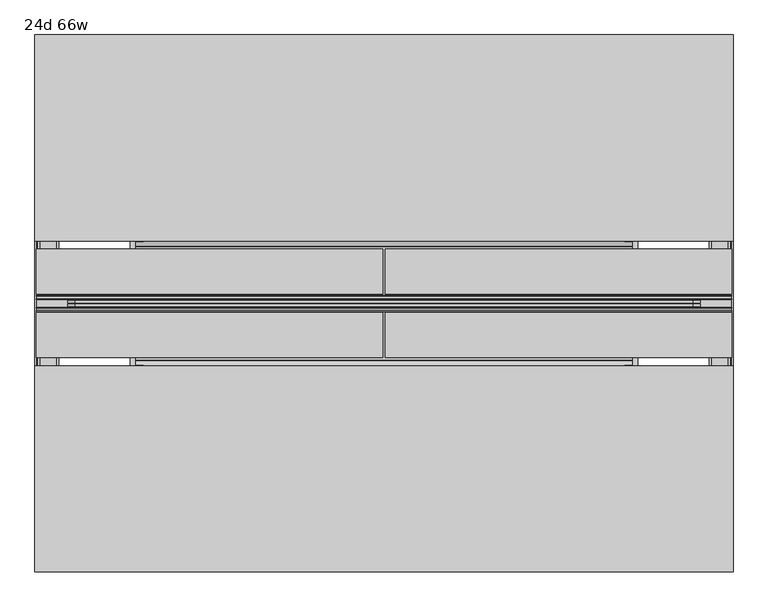
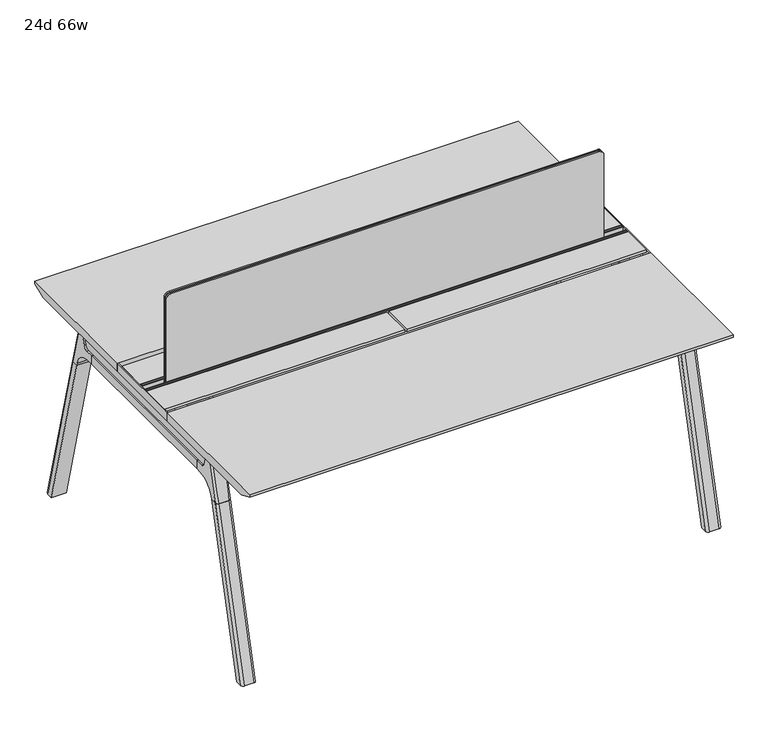
"""IFC4 building model written with IfcOpenShell, lengths in millimetres: furniture geometry, 24d 66w."""

from ifc_helpers import new_model, si_unit, point, frame, frame_2d, origin, place, context, project, spatial, polyline, circle_curve, ellipse_curve, trimmed, segment, composite_curve, outline, extrude, source, transform, mapped, element, save
from ifc_brep_helpers import plane_surface, cylinder_surface, revolved_surface, advanced_brep


def furniture_24d_66w_e63ea4ef(model_context):
    return source(origin(), model_context, "Body", "SolidModel", [
        extrude(outline(composite_curve([segment(polyline([(1054.89375, 955.675), (1054.89375, -523.875)]), True, "CONTINUOUS"), segment(trimmed(circle_curve(frame_2d((1039.01875, -523.875)), 15.875), [point((1054.89375, -523.875))], [point((1039.01875, -539.75))], False, "CARTESIAN"), True, "CONTINUOUS"), segment(polyline([(1039.01875, -539.75), (720.725, -539.75), (720.725, 971.55), (1039.01875, 971.55)]), True, "CONTINUOUS"), segment(trimmed(circle_curve(frame_2d((1039.01875, 955.675)), 15.875), [point((1039.01875, 971.55))], [point((1054.89375, 955.675))], False, "CARTESIAN"), True, "CONTINUOUS")], self_intersect=False)), frame((0.0, -201.3409766, 0.0), z_axis=(0.0, 1.0, 0.0), x_axis=(0.0, 0.0, 1.0)), (0.0, 0.0, 1.0), 3.175),
        extrude(outline(composite_curve([segment(polyline([(1058.06875, 958.85), (1058.06875, -527.05)]), True, "CONTINUOUS"), segment(trimmed(circle_curve(frame_2d((1042.19375, -527.05)), 15.875), [point((1058.06875, -527.05))], [point((1042.19375, -542.925))], False, "CARTESIAN"), True, "CONTINUOUS"), segment(polyline([(1042.19375, -542.925), (717.55, -542.925), (717.55, 974.725), (1042.19375, 974.725)]), True, "CONTINUOUS"), segment(trimmed(circle_curve(frame_2d((1042.19375, 958.85)), 15.875), [point((1042.19375, 974.725))], [point((1058.06875, 958.85))], False, "CARTESIAN"), True, "CONTINUOUS")], self_intersect=False)), frame((0.0, -198.1659766, 0.0), z_axis=(0.0, 1.0, 0.0), x_axis=(0.0, 0.0, 1.0)), (0.0, 0.0, 1.0), 5.55625),
        extrude(outline(composite_curve([segment(polyline([(1058.06875, 958.85), (1058.06875, -527.05)]), True, "CONTINUOUS"), segment(trimmed(circle_curve(frame_2d((1042.19375, -527.05)), 15.875), [point((1058.06875, -527.05))], [point((1042.19375, -542.925))], False, "CARTESIAN"), True, "CONTINUOUS"), segment(polyline([(1042.19375, -542.925), (717.55, -542.925), (717.55, 974.725), (1042.19375, 974.725)]), True, "CONTINUOUS"), segment(trimmed(circle_curve(frame_2d((1042.19375, 958.85)), 15.875), [point((1042.19375, 974.725))], [point((1058.06875, 958.85))], False, "CARTESIAN"), True, "CONTINUOUS")], self_intersect=False)), frame((0.0, -206.8972266, 0.0), z_axis=(0.0, 1.0, 0.0), x_axis=(0.0, 0.0, 1.0)), (0.0, 0.0, 1.0), 5.55625),
        extrude(outline(polyline([(-348.9784469, 559.4636683), (-364.040663, 627.7843353), (-35.4662901, 627.7843353), (-50.5285062, 559.4636683), (-46.7502281, 557.2647146), (-46.7502281, 549.3667827), (-62.6252238, 521.8704736), (-336.8817293, 521.8704736), (-352.756725, 549.3667827), (-352.756725, 557.2647146), (-348.9784469, 559.4636683)])), frame((812.8, 0.0, 0.0), z_axis=(1.0, 0.0, 0.0), x_axis=(0.0, 1.0, 0.0)), (0.0, 0.0, 1.0), 12.7),
        extrude(outline(polyline([(-348.9784469, 559.4636683), (-364.040663, 627.7843353), (-35.4662901, 627.7843353), (-50.5285062, 559.4636683), (-46.7502281, 557.2647146), (-46.7502281, 549.3667827), (-62.6252238, 521.8704736), (-336.8817293, 521.8704736), (-352.756725, 549.3667827), (-352.756725, 557.2647146), (-348.9784469, 559.4636683)])), frame((-393.7, 0.0, 0.0), z_axis=(1.0, 0.0, 0.0), x_axis=(0.0, 1.0, 0.0)), (0.0, 0.0, 1.0), 12.7),
        extrude(outline(polyline([(-18.0090763, 698.5), (3.7767266, 698.5), (3.7767266, 697.2935087), (-17.4495292, 697.2935087), (-19.0070753, 695.7359626), (-49.1186716, 559.1528512), (-50.5285062, 559.4636683), (-20.404074, 696.1050023), (-18.0090763, 698.5)])), frame((-393.7, 0.0, 0.0), z_axis=(1.0, 0.0, 0.0), x_axis=(0.0, 1.0, 0.0)), (0.0, 0.0, 1.0), 31.8008024),
        extrude(outline(polyline([(-381.4978768, 698.5), (-379.1028791, 696.1050023), (-348.9784469, 559.4636683), (-350.3882815, 559.1528512), (-380.4998778, 695.7359626), (-382.0574239, 697.2935087), (-403.2836797, 697.2935087), (-403.2836797, 698.5), (-381.4978768, 698.5)])), frame((-393.7, 0.0, 0.0), z_axis=(1.0, 0.0, 0.0), x_axis=(0.0, 1.0, 0.0)), (0.0, 0.0, 1.0), 31.8008024),
        extrude(outline(polyline([(-18.0090763, 698.5), (3.7767266, 698.5), (3.7767266, 697.2935087), (-17.4495292, 697.2935087), (-19.0070753, 695.7359626), (-49.1186716, 559.1528512), (-50.5285062, 559.4636683), (-20.404074, 696.1050023), (-18.0090763, 698.5)])), frame((793.6991976, 0.0, 0.0), z_axis=(1.0, 0.0, 0.0), x_axis=(0.0, 1.0, 0.0)), (0.0, 0.0, 1.0), 31.8008024),
        extrude(outline(polyline([(-381.4978768, 698.5), (-379.1028791, 696.1050023), (-348.9784469, 559.4636683), (-350.3882815, 559.1528512), (-380.4998778, 695.7359626), (-382.0574239, 697.2935087), (-403.2836797, 697.2935087), (-403.2836797, 698.5), (-381.4978768, 698.5)])), frame((793.6991976, 0.0, 0.0), z_axis=(1.0, 0.0, 0.0), x_axis=(0.0, 1.0, 0.0)), (0.0, 0.0, 1.0), 31.8008024),
        extrude(outline(polyline([(-353.550475, 557.5934966), (-351.518477, 559.6254947), (-350.957211, 559.0642287), (-352.756725, 557.2647146), (-352.756725, 549.3667827), (-352.5317745, 548.5272622), (-337.4390802, 522.3859395), (-336.0037101, 521.5572272), (-63.503243, 521.5572272), (-62.0678729, 522.3859395), (-46.9751786, 548.5272622), (-46.7502281, 549.3667827), (-46.7502281, 557.2647146), (-48.5497421, 559.0642287), (-47.9884761, 559.6254947), (-45.9564781, 557.5934966), (-45.9564781, 549.2622828), (-46.2355217, 548.2208856), (-61.4868074, 521.8048744), (-63.2905581, 520.7634772), (-336.216395, 520.7634772), (-338.0201457, 521.8048744), (-353.2714314, 548.2208856), (-353.550475, 549.2622828), (-353.550475, 557.5934966)])), frame((-393.6492037, 0.0, 0.0), z_axis=(1.0, 0.0, 0.0), x_axis=(0.0, 1.0, 0.0)), (0.0, 0.0, 1.0), 1219.1492037),
        extrude(outline(polyline([(-218.8034766, 715.9625), (-218.8034766, 741.3625), (-217.2159766, 741.3625), (-217.2159766, 720.725), (-210.8659766, 720.725), (-210.8659766, 741.3625), (-209.2784766, 741.3625), (-209.2784766, 717.55), (-190.2284766, 717.55), (-190.2284766, 741.3625), (-188.6409766, 741.3625), (-188.6409766, 720.725), (-182.2909766, 720.725), (-182.2909766, 741.3625), (-180.7034766, 741.3625), (-180.7034766, 715.9625), (-218.8034766, 715.9625)])), frame((-619.125, 0.0, 0.0), z_axis=(1.0, 0.0, 0.0), x_axis=(0.0, 1.0, 0.0)), (0.0, 0.0, 1.0), 1670.05),
        extrude(outline(composite_curve([segment(polyline([(175.6902734, 711.2), (166.6321726, 677.3947076)]), True, "CONTINUOUS"), segment(trimmed(circle_curve(frame_2d((151.2981001, 681.5034599)), 15.875), [point((166.6321726, 677.3947076))], [point((151.2981001, 665.6284599))], False, "CARTESIAN"), True, "CONTINUOUS"), segment(polyline([(151.2981001, 665.6284599), (-550.8050533, 665.6284599)]), True, "CONTINUOUS"), segment(trimmed(circle_curve(frame_2d((-550.8050533, 681.5034599)), 15.875), [point((-550.8050533, 665.6284599))], [point((-566.1391258, 677.3947076))], False, "CARTESIAN"), True, "CONTINUOUS"), segment(polyline([(-566.1391258, 677.3947076), (-575.1972266, 711.2), (175.6902734, 711.2)]), True, "CONTINUOUS")], self_intersect=False)), frame((1003.3, 0.0, 0.0), z_axis=(1.0, 0.0, 0.0), x_axis=(0.0, 1.0, 0.0)), (0.0, 0.0, 1.0), 38.1),
        extrude(outline(polyline([(1047.75, 115.3652734), (1047.75, -514.8722266), (996.95, -514.8722266), (996.95, 115.3652734), (1047.75, 115.3652734)])), frame((0.0, 0.0, 635.6476591), z_axis=(0.0, 0.0, 1.0), x_axis=(1.0, 0.0, 0.0)), (0.0, 0.0, 1.0), 29.9808008),
        extrude(outline(composite_curve([segment(polyline([(175.6902734, 711.2), (166.6321726, 677.3947076)]), True, "CONTINUOUS"), segment(trimmed(circle_curve(frame_2d((151.2981001, 681.5034599)), 15.875), [point((166.6321726, 677.3947076))], [point((151.2981001, 665.6284599))], False, "CARTESIAN"), True, "CONTINUOUS"), segment(polyline([(151.2981001, 665.6284599), (-550.8050533, 665.6284599)]), True, "CONTINUOUS"), segment(trimmed(circle_curve(frame_2d((-550.8050533, 681.5034599)), 15.875), [point((-550.8050533, 665.6284599))], [point((-566.1391258, 677.3947076))], False, "CARTESIAN"), True, "CONTINUOUS"), segment(polyline([(-566.1391258, 677.3947076), (-575.1972266, 711.2), (175.6902734, 711.2)]), True, "CONTINUOUS")], self_intersect=False)), frame((-609.6, 0.0, 0.0), z_axis=(1.0, 0.0, 0.0), x_axis=(0.0, 1.0, 0.0)), (0.0, 0.0, 1.0), 38.1),
        extrude(outline(polyline([(-565.15, 115.3652734), (-565.15, -514.8722266), (-615.95, -514.8722266), (-615.95, 115.3652734), (-565.15, 115.3652734)])), frame((0.0, 0.0, 635.6476591), z_axis=(0.0, 0.0, 1.0), x_axis=(1.0, 0.0, 0.0)), (0.0, 0.0, 1.0), 29.9808008),
        advanced_brep(
        [(996.95, -568.8935553, 711.2), (996.95, -559.8354545, 677.3947076), (996.95, -544.501382, 665.6284599), (996.95, -514.8722266, 665.6284599), (996.95, -514.8722266, 635.6476591), (996.95, -537.7434588, 635.6476591), (996.95, -602.1465633, 586.2294189), (996.95, -604.7047754, 576.6820411), (996.95, -625.8087453, 576.6820411), (996.95, -590.3601017, 711.2), (1047.75, -604.7047754, 576.6820411), (1047.75, -602.1465633, 586.2294189), (1047.75, -537.7434588, 635.6476591), (1047.75, -514.8722266, 635.6476591), (1047.75, -514.8722266, 665.6284599), (1047.75, -544.501382, 665.6284599), (1047.75, -559.8354545, 677.3947076), (1047.75, -568.8935553, 711.2), (1047.75, -590.3601017, 711.2), (1047.75, -625.8087453, 576.6820411), (1003.2138162, -599.6149462, 711.2), (1041.4861838, -599.6149462, 711.2), (1038.225, -635.6589247, 576.6820411), (1006.475, -635.6589247, 576.6820411)],
        [
            (0, 1),
            (1, 2, circle_curve(frame((996.95, -544.501382, 681.5034599), z_axis=(1.0, 0.0, 0.0), x_axis=(0.0, -1.0, 0.0)), 15.875)),
            (2, 3),
            (3, 4),
            (4, 5),
            (5, 6, circle_curve(frame((996.95, -537.7434588, 568.9726591), z_axis=(1.0, 0.0, 0.0), x_axis=(0.0, -1.0, 0.0)), 66.675)),
            (6, 7),
            (7, 8),
            (8, 9),
            (9, 0),
            (10, 11),
            (11, 12, circle_curve(frame((1047.75, -537.7434588, 568.9726591), z_axis=(-1.0, 0.0, 0.0), x_axis=(0.0, -1.0, 0.0)), 66.675)),
            (12, 13),
            (13, 14),
            (14, 15),
            (15, 16, circle_curve(frame((1047.75, -544.501382, 681.5034599), z_axis=(-1.0, 0.0, 0.0), x_axis=(0.0, -1.0, 0.0)), 15.875)),
            (16, 17),
            (17, 18),
            (18, 19),
            (19, 10),
            (17, 0),
            (9, 20, ellipse_curve(frame((1006.475, -590.3601017, 711.2), z_axis=(0.0, 0.0, 1.0), x_axis=(0.0, -1.0, 0.0)), 9.8501793, 9.525)),
            (20, 21),
            (21, 18, ellipse_curve(frame((1038.225, -590.3601017, 711.2), z_axis=(0.0, 0.0, 1.0), x_axis=(0.0, -1.0, 0.0)), 9.8501793, 9.525)),
            (16, 1),
            (15, 2),
            (14, 3),
            (13, 4),
            (12, 5),
            (11, 6),
            (10, 7),
            (19, 22, ellipse_curve(frame((1038.225, -625.8087453, 576.6820411), z_axis=(0.0, 0.0, -1.0), x_axis=(0.0, -1.0, 0.0)), 9.8501793, 9.525)),
            (22, 23),
            (23, 8, ellipse_curve(frame((1006.475, -625.8087453, 576.6820411), z_axis=(0.0, 0.0, -1.0), x_axis=(0.0, -1.0, 0.0)), 9.8501793, 9.525)),
            (20, 23, ellipse_curve(frame((1006.475, -39.2892106, 2802.3641142), z_axis=(0.0, -0.9659258262890684, 0.2588190451025206), x_axis=(0.0, -0.2588190451025206, -0.9659258262890684)), 2304.1956354, 9.525)),
            (22, 21, ellipse_curve(frame((1038.225, -39.2892106, 2802.3641142), z_axis=(0.0, -0.9659258262890684, 0.2588190451025206), x_axis=(0.0, -0.2588190451025206, -0.9659258262890684)), 2304.1956354, 9.525)),
        ],
        [
            plane_surface(frame((996.95, -599.6149462, 711.2), z_axis=(-1.0, 0.0, 0.0), x_axis=(0.0, 1.0, 0.0))),
            plane_surface(frame((1047.75, -599.6149462, 711.2), z_axis=(1.0, 0.0, 0.0), x_axis=(0.0, -1.0, 0.0))),
            plane_surface(frame((996.95, -599.6149462, 711.2), z_axis=(0.0, 0.0, 1.0), x_axis=(1.0, 0.0, 0.0))),
            plane_surface(frame((996.95, -568.8935553, 711.2), z_axis=(0.0, 0.9659258262890683, 0.2588190451025207), x_axis=(1.0, 0.0, 0.0))),
            revolved_surface(polyline([(1047.75, -560.376382, 681.5034599), (996.95, -560.376382, 681.5034599)]), (1047.75, -544.501382, 681.5034599), (1.0, 0.0, 0.0)),
            plane_surface(frame((996.95, -544.501382, 665.6284599), z_axis=(0.0, 0.0, 1.0), x_axis=(1.0, 0.0, 0.0))),
            plane_surface(frame((996.95, -514.8722266, 665.6284599), z_axis=(0.0, 1.0, 0.0), x_axis=(1.0, 0.0, 0.0))),
            plane_surface(frame((996.95, -514.8722266, 635.6476591), z_axis=(0.0, 0.0, -1.0), x_axis=(1.0, 0.0, 0.0))),
            revolved_surface(polyline([(1047.75, -604.4184587999999, 568.9726591), (996.95, -604.4184587999999, 568.9726591)]), (1047.75, -537.7434588, 568.9726591), (1.0, 0.0, 0.0)),
            plane_surface(frame((996.95, -602.1465633, 586.2294189), z_axis=(0.0, 0.9659258262890693, -0.25881904510251696), x_axis=(1.0, 0.0, 0.0))),
            plane_surface(frame((996.95, -604.7047754, 576.6820411), z_axis=(0.0, 0.0, -1.0), x_axis=(1.0, 0.0, 0.0))),
            plane_surface(frame((996.95, -635.6589247, 576.6820411), z_axis=(0.0, -0.9659258262890684, 0.2588190451025206), x_axis=(1.0, 0.0, 0.0))),
            cylinder_surface(frame((1006.475, -778.4176402, -2.4271979), z_axis=(0.0, -0.25482392474081483, -0.966987470125486), x_axis=(1.0, 0.0, 0.0)), 9.525),
            cylinder_surface(frame((1038.225, -778.4176402, -2.4271979), z_axis=(0.0, -0.25482392474081483, -0.966987470125486), x_axis=(1.0, 0.0, 0.0)), 9.525),
        ],
        [
            (0, [[1, 2, 3, 4, 5, 6, 7, 8, 9, 10]]),
            (1, [[11, 12, 13, 14, 15, 16, 17, 18, 19, 20]]),
            (2, [[21, -10, 22, 23, 24, -18]]),
            (3, [[-1, -21, -17, 25]]),
            (4, [[-2, -25, -16, 26]]),
            (5, [[-3, -26, -15, 27]]),
            (6, [[-4, -27, -14, 28]]),
            (7, [[-5, -28, -13, 29]]),
            (8, [[-6, -29, -12, 30]]),
            (9, [[-7, -30, -11, 31]]),
            (10, [[-31, -20, 32, 33, 34, -8]]),
            (11, [[-23, 35, -33, 36]]),
            (12, [[-9, -34, -35, -22]]),
            (13, [[-19, -24, -36, -32]]),
        ],
    ),
        advanced_brep(
        [(996.95, -604.7047754, 576.6820411), (996.95, -756.6740466, 0.0), (996.95, -777.7780165, 0.0), (996.95, -625.8087453, 576.6820411), (1047.75, -756.6740466, 0.0), (1047.75, -604.7047754, 576.6820411), (1047.75, -625.8087453, 576.6820411), (1047.75, -777.7780165, 0.0), (1006.475, -635.6589247, 576.6820411), (1038.225, -635.6589247, 576.6820411), (1038.225, -787.6281958, 0.0), (1006.475, -787.6281958, 0.0)],
        [
            (0, 1),
            (1, 2),
            (2, 3),
            (3, 0),
            (4, 5),
            (5, 6),
            (6, 7),
            (7, 4),
            (5, 0),
            (3, 8, ellipse_curve(frame((1006.475, -625.8087453, 576.6820411), z_axis=(0.0, 0.0, 1.0), x_axis=(0.0, -1.0, 0.0)), 9.8501793, 9.525)),
            (8, 9),
            (9, 6, ellipse_curve(frame((1038.225, -625.8087453, 576.6820411), z_axis=(0.0, 0.0, 1.0), x_axis=(0.0, -1.0, 0.0)), 9.8501793, 9.525)),
            (4, 1),
            (7, 10, ellipse_curve(frame((1038.225, -777.7780165, 0.0), z_axis=(0.0, 0.0, -1.0), x_axis=(0.0, -1.0, 0.0)), 9.8501793, 9.525)),
            (10, 11),
            (11, 2, ellipse_curve(frame((1006.475, -777.7780165, 0.0), z_axis=(0.0, 0.0, -1.0), x_axis=(0.0, -1.0, 0.0)), 9.8501793, 9.525)),
            (8, 11),
            (10, 9),
        ],
        [
            plane_surface(frame((996.95, -635.6589247, 576.6820411), z_axis=(-1.0, 0.0, 0.0), x_axis=(0.0, 1.0, 0.0))),
            plane_surface(frame((1047.75, -635.6589247, 576.6820411), z_axis=(1.0, 0.0, 0.0), x_axis=(0.0, -1.0, 0.0))),
            plane_surface(frame((996.95, -635.6589247, 576.6820411), z_axis=(0.0, 0.0, 1.0), x_axis=(1.0, 0.0, 0.0))),
            plane_surface(frame((996.95, -604.7047754, 576.6820411), z_axis=(0.0, 0.9669874701254844, -0.2548239247408208), x_axis=(1.0, 0.0, 0.0))),
            plane_surface(frame((996.95, -756.6740466, 0.0), z_axis=(0.0, 0.0, -1.0), x_axis=(1.0, 0.0, 0.0))),
            plane_surface(frame((996.95, -787.6281958, 0.0), z_axis=(0.0, -0.9669874701254855, 0.2548239247408166), x_axis=(1.0, 0.0, 0.0))),
            cylinder_surface(frame((1006.475, -778.4176402, -2.4271979), z_axis=(0.0, -0.25482392474081483, -0.966987470125486), x_axis=(1.0, 0.0, 0.0)), 9.525),
            cylinder_surface(frame((1038.225, -778.4176402, -2.4271979), z_axis=(0.0, -0.25482392474081483, -0.966987470125486), x_axis=(1.0, 0.0, 0.0)), 9.525),
        ],
        [
            (0, [[1, 2, 3, 4]]),
            (1, [[5, 6, 7, 8]]),
            (2, [[9, -4, 10, 11, 12, -6]]),
            (3, [[-1, -9, -5, 13]]),
            (4, [[-13, -8, 14, 15, 16, -2]]),
            (5, [[-11, 17, -15, 18]]),
            (6, [[-3, -16, -17, -10]]),
            (7, [[-7, -12, -18, -14]]),
        ],
    ),
        advanced_brep(
        [(1047.75, 169.3866022, 711.2), (1047.75, 160.3285014, 677.3947076), (1047.75, 144.9944289, 665.6284599), (1047.75, 115.3652734, 665.6284599), (1047.75, 115.3652734, 635.6476591), (1047.75, 138.2365057, 635.6476591), (1047.75, 202.6396101, 586.2294189), (1047.75, 205.1978223, 576.6820411), (1047.75, 226.3017922, 576.6820411), (1047.75, 190.8531486, 711.2), (996.95, 205.1978223, 576.6820411), (996.95, 202.6396101, 586.2294189), (996.95, 138.2365057, 635.6476591), (996.95, 115.3652734, 635.6476591), (996.95, 115.3652734, 665.6284599), (996.95, 144.9944289, 665.6284599), (996.95, 160.3285014, 677.3947076), (996.95, 169.3866022, 711.2), (996.95, 190.8531486, 711.2), (996.95, 226.3017922, 576.6820411), (1041.4861838, 200.1079931, 711.2), (1003.2138162, 200.1079931, 711.2), (1006.475, 236.1519716, 576.6820411), (1038.225, 236.1519716, 576.6820411)],
        [
            (0, 1),
            (1, 2, circle_curve(frame((1047.75, 144.9944289, 681.5034599), z_axis=(-1.0, 0.0, 0.0), x_axis=(0.0, 1.0, 0.0)), 15.875)),
            (2, 3),
            (3, 4),
            (4, 5),
            (5, 6, circle_curve(frame((1047.75, 138.2365057, 568.9726591), z_axis=(-1.0, 0.0, 0.0), x_axis=(0.0, 1.0, 0.0)), 66.675)),
            (6, 7),
            (7, 8),
            (8, 9),
            (9, 0),
            (10, 11),
            (11, 12, circle_curve(frame((996.95, 138.2365057, 568.9726591), z_axis=(1.0, 0.0, 0.0), x_axis=(0.0, 1.0, 0.0)), 66.675)),
            (12, 13),
            (13, 14),
            (14, 15),
            (15, 16, circle_curve(frame((996.95, 144.9944289, 681.5034599), z_axis=(1.0, 0.0, 0.0), x_axis=(0.0, 1.0, 0.0)), 15.875)),
            (16, 17),
            (17, 18),
            (18, 19),
            (19, 10),
            (17, 0),
            (9, 20, ellipse_curve(frame((1038.225, 190.8531486, 711.2), z_axis=(0.0, 0.0, 1.0), x_axis=(0.0, 1.0, 0.0)), 9.8501793, 9.525)),
            (20, 21),
            (21, 18, ellipse_curve(frame((1006.475, 190.8531486, 711.2), z_axis=(0.0, 0.0, 1.0), x_axis=(0.0, 1.0, 0.0)), 9.8501793, 9.525)),
            (16, 1),
            (15, 2),
            (14, 3),
            (13, 4),
            (12, 5),
            (11, 6),
            (10, 7),
            (19, 22, ellipse_curve(frame((1006.475, 226.3017922, 576.6820411), z_axis=(0.0, 0.0, -1.0), x_axis=(0.0, 1.0, 0.0)), 9.8501793, 9.525)),
            (22, 23),
            (23, 8, ellipse_curve(frame((1038.225, 226.3017922, 576.6820411), z_axis=(0.0, 0.0, -1.0), x_axis=(0.0, 1.0, 0.0)), 9.8501793, 9.525)),
            (20, 23, ellipse_curve(frame((1038.225, -360.2177425, 2802.3641142), z_axis=(0.0, 0.9659258262890684, 0.2588190451025206), x_axis=(0.0, 0.2588190451025206, -0.9659258262890684)), 2304.1956354, 9.525)),
            (22, 21, ellipse_curve(frame((1006.475, -360.2177425, 2802.3641142), z_axis=(0.0, 0.9659258262890684, 0.2588190451025206), x_axis=(0.0, 0.2588190451025206, -0.9659258262890684)), 2304.1956354, 9.525)),
        ],
        [
            plane_surface(frame((1047.75, 200.1079931, 711.2), z_axis=(1.0, 0.0, 0.0), x_axis=(0.0, -1.0, 0.0))),
            plane_surface(frame((996.95, 200.1079931, 711.2), z_axis=(-1.0, 0.0, 0.0), x_axis=(0.0, 1.0, 0.0))),
            plane_surface(frame((1047.75, 200.1079931, 711.2), z_axis=(0.0, 0.0, 1.0), x_axis=(-1.0, 0.0, 0.0))),
            plane_surface(frame((1047.75, 169.3866022, 711.2), z_axis=(0.0, -0.9659258262890683, 0.2588190451025207), x_axis=(-1.0, 0.0, 0.0))),
            revolved_surface(polyline([(996.95, 160.8694289, 681.5034599), (1047.75, 160.8694289, 681.5034599)]), (996.95, 144.9944289, 681.5034599), (-1.0, 0.0, 0.0)),
            plane_surface(frame((1047.75, 144.9944289, 665.6284599), z_axis=(0.0, 0.0, 1.0), x_axis=(-1.0, 0.0, 0.0))),
            plane_surface(frame((1047.75, 115.3652734, 665.6284599), z_axis=(0.0, -1.0, 0.0), x_axis=(-1.0, 0.0, 0.0))),
            plane_surface(frame((1047.75, 115.3652734, 635.6476591), z_axis=(0.0, 0.0, -1.0), x_axis=(-1.0, 0.0, 0.0))),
            revolved_surface(polyline([(996.95, 204.91150570000002, 568.9726591), (1047.75, 204.91150570000002, 568.9726591)]), (996.95, 138.2365057, 568.9726591), (-1.0, 0.0, 0.0)),
            plane_surface(frame((1047.75, 202.6396101, 586.2294189), z_axis=(0.0, -0.9659258262890693, -0.25881904510251696), x_axis=(-1.0, 0.0, 0.0))),
            plane_surface(frame((1047.75, 205.1978223, 576.6820411), z_axis=(0.0, 0.0, -1.0), x_axis=(-1.0, 0.0, 0.0))),
            plane_surface(frame((1047.75, 236.1519716, 576.6820411), z_axis=(0.0, 0.9659258262890684, 0.2588190451025206), x_axis=(-1.0, 0.0, 0.0))),
            cylinder_surface(frame((1038.225, 378.9106871, -2.4271979), z_axis=(0.0, 0.25482392474081483, -0.966987470125486), x_axis=(-1.0, 0.0, 0.0)), 9.525),
            cylinder_surface(frame((1006.475, 378.9106871, -2.4271979), z_axis=(0.0, 0.25482392474081483, -0.966987470125486), x_axis=(-1.0, 0.0, 0.0)), 9.525),
        ],
        [
            (0, [[1, 2, 3, 4, 5, 6, 7, 8, 9, 10]]),
            (1, [[11, 12, 13, 14, 15, 16, 17, 18, 19, 20]]),
            (2, [[21, -10, 22, 23, 24, -18]]),
            (3, [[-1, -21, -17, 25]]),
            (4, [[-2, -25, -16, 26]]),
            (5, [[-3, -26, -15, 27]]),
            (6, [[-4, -27, -14, 28]]),
            (7, [[-5, -28, -13, 29]]),
            (8, [[-6, -29, -12, 30]]),
            (9, [[-7, -30, -11, 31]]),
            (10, [[-31, -20, 32, 33, 34, -8]]),
            (11, [[-23, 35, -33, 36]]),
            (12, [[-9, -34, -35, -22]]),
            (13, [[-19, -24, -36, -32]]),
        ],
    ),
        advanced_brep(
        [(1047.75, 205.1978223, 576.6820411), (1047.75, 357.1670935, 0.0), (1047.75, 378.2710634, 0.0), (1047.75, 226.3017922, 576.6820411), (996.95, 357.1670935, 0.0), (996.95, 205.1978223, 576.6820411), (996.95, 226.3017922, 576.6820411), (996.95, 378.2710634, 0.0), (1038.225, 236.1519716, 576.6820411), (1006.475, 236.1519716, 576.6820411), (1006.475, 388.1212427, 0.0), (1038.225, 388.1212427, 0.0)],
        [
            (0, 1),
            (1, 2),
            (2, 3),
            (3, 0),
            (4, 5),
            (5, 6),
            (6, 7),
            (7, 4),
            (5, 0),
            (3, 8, ellipse_curve(frame((1038.225, 226.3017922, 576.6820411), z_axis=(0.0, 0.0, 1.0), x_axis=(0.0, 1.0, 0.0)), 9.8501793, 9.525)),
            (8, 9),
            (9, 6, ellipse_curve(frame((1006.475, 226.3017922, 576.6820411), z_axis=(0.0, 0.0, 1.0), x_axis=(0.0, 1.0, 0.0)), 9.8501793, 9.525)),
            (4, 1),
            (7, 10, ellipse_curve(frame((1006.475, 378.2710634, 0.0), z_axis=(0.0, 0.0, -1.0), x_axis=(0.0, 1.0, 0.0)), 9.8501793, 9.525)),
            (10, 11),
            (11, 2, ellipse_curve(frame((1038.225, 378.2710634, 0.0), z_axis=(0.0, 0.0, -1.0), x_axis=(0.0, 1.0, 0.0)), 9.8501793, 9.525)),
            (8, 11),
            (10, 9),
        ],
        [
            plane_surface(frame((1047.75, 236.1519716, 576.6820411), z_axis=(1.0, 0.0, 0.0), x_axis=(0.0, -1.0, 0.0))),
            plane_surface(frame((996.95, 236.1519716, 576.6820411), z_axis=(-1.0, 0.0, 0.0), x_axis=(0.0, 1.0, 0.0))),
            plane_surface(frame((1047.75, 236.1519716, 576.6820411), z_axis=(0.0, 0.0, 1.0), x_axis=(-1.0, 0.0, 0.0))),
            plane_surface(frame((1047.75, 205.1978223, 576.6820411), z_axis=(0.0, -0.9669874701254844, -0.2548239247408208), x_axis=(-1.0, 0.0, 0.0))),
            plane_surface(frame((1047.75, 357.1670935, 0.0), z_axis=(0.0, 0.0, -1.0), x_axis=(-1.0, 0.0, 0.0))),
            plane_surface(frame((1047.75, 388.1212427, 0.0), z_axis=(0.0, 0.9669874701254855, 0.2548239247408166), x_axis=(-1.0, 0.0, 0.0))),
            cylinder_surface(frame((1038.225, 378.9106871, -2.4271979), z_axis=(0.0, 0.25482392474081483, -0.966987470125486), x_axis=(-1.0, 0.0, 0.0)), 9.525),
            cylinder_surface(frame((1006.475, 378.9106871, -2.4271979), z_axis=(0.0, 0.25482392474081483, -0.966987470125486), x_axis=(-1.0, 0.0, 0.0)), 9.525),
        ],
        [
            (0, [[1, 2, 3, 4]]),
            (1, [[5, 6, 7, 8]]),
            (2, [[9, -4, 10, 11, 12, -6]]),
            (3, [[-1, -9, -5, 13]]),
            (4, [[-13, -8, 14, 15, 16, -2]]),
            (5, [[-11, 17, -15, 18]]),
            (6, [[-3, -16, -17, -10]]),
            (7, [[-7, -12, -18, -14]]),
        ],
    ),
        advanced_brep(
        [(-565.15, 169.3866022, 711.2), (-565.15, 160.3285014, 677.3947076), (-565.15, 144.9944289, 665.6284599), (-565.15, 115.3652734, 665.6284599), (-565.15, 115.3652734, 635.6476591), (-565.15, 138.2365057, 635.6476591), (-565.15, 202.6396101, 586.2294189), (-565.15, 205.1978223, 576.6820411), (-565.15, 226.3017922, 576.6820411), (-565.15, 190.8531486, 711.2), (-615.95, 205.1978223, 576.6820411), (-615.95, 202.6396101, 586.2294189), (-615.95, 138.2365057, 635.6476591), (-615.95, 115.3652734, 635.6476591), (-615.95, 115.3652734, 665.6284599), (-615.95, 144.9944289, 665.6284599), (-615.95, 160.3285014, 677.3947076), (-615.95, 169.3866022, 711.2), (-615.95, 190.8531486, 711.2), (-615.95, 226.3017922, 576.6820411), (-571.4138162, 200.1079931, 711.2), (-609.6861838, 200.1079931, 711.2), (-606.425, 236.1519716, 576.6820411), (-574.675, 236.1519716, 576.6820411)],
        [
            (0, 1),
            (1, 2, circle_curve(frame((-565.15, 144.9944289, 681.5034599), z_axis=(-1.0, 0.0, 0.0), x_axis=(0.0, 1.0, 0.0)), 15.875)),
            (2, 3),
            (3, 4),
            (4, 5),
            (5, 6, circle_curve(frame((-565.15, 138.2365057, 568.9726591), z_axis=(-1.0, 0.0, 0.0), x_axis=(0.0, 1.0, 0.0)), 66.675)),
            (6, 7),
            (7, 8),
            (8, 9),
            (9, 0),
            (10, 11),
            (11, 12, circle_curve(frame((-615.95, 138.2365057, 568.9726591), z_axis=(1.0, 0.0, 0.0), x_axis=(0.0, 1.0, 0.0)), 66.675)),
            (12, 13),
            (13, 14),
            (14, 15),
            (15, 16, circle_curve(frame((-615.95, 144.9944289, 681.5034599), z_axis=(1.0, 0.0, 0.0), x_axis=(0.0, 1.0, 0.0)), 15.875)),
            (16, 17),
            (17, 18),
            (18, 19),
            (19, 10),
            (17, 0),
            (9, 20, ellipse_curve(frame((-574.675, 190.8531486, 711.2), z_axis=(0.0, 0.0, 1.0), x_axis=(0.0, 1.0, 0.0)), 9.8501793, 9.525)),
            (20, 21),
            (21, 18, ellipse_curve(frame((-606.425, 190.8531486, 711.2), z_axis=(0.0, 0.0, 1.0), x_axis=(0.0, 1.0, 0.0)), 9.8501793, 9.525)),
            (16, 1),
            (15, 2),
            (14, 3),
            (13, 4),
            (12, 5),
            (11, 6),
            (10, 7),
            (19, 22, ellipse_curve(frame((-606.425, 226.3017922, 576.6820411), z_axis=(0.0, 0.0, -1.0), x_axis=(0.0, 1.0, 0.0)), 9.8501793, 9.525)),
            (22, 23),
            (23, 8, ellipse_curve(frame((-574.675, 226.3017922, 576.6820411), z_axis=(0.0, 0.0, -1.0), x_axis=(0.0, 1.0, 0.0)), 9.8501793, 9.525)),
            (20, 23, ellipse_curve(frame((-574.675, -360.2177425, 2802.3641142), z_axis=(0.0, 0.9659258262890684, 0.2588190451025206), x_axis=(0.0, 0.2588190451025206, -0.9659258262890684)), 2304.1956354, 9.525)),
            (22, 21, ellipse_curve(frame((-606.425, -360.2177425, 2802.3641142), z_axis=(0.0, 0.9659258262890684, 0.2588190451025206), x_axis=(0.0, 0.2588190451025206, -0.9659258262890684)), 2304.1956354, 9.525)),
        ],
        [
            plane_surface(frame((-565.15, 200.1079931, 711.2), z_axis=(1.0, 0.0, 0.0), x_axis=(0.0, -1.0, 0.0))),
            plane_surface(frame((-615.95, 200.1079931, 711.2), z_axis=(-1.0, 0.0, 0.0), x_axis=(0.0, 1.0, 0.0))),
            plane_surface(frame((-565.15, 200.1079931, 711.2), z_axis=(0.0, 0.0, 1.0), x_axis=(-1.0, 0.0, 0.0))),
            plane_surface(frame((-565.15, 169.3866022, 711.2), z_axis=(0.0, -0.9659258262890683, 0.2588190451025207), x_axis=(-1.0, 0.0, 0.0))),
            revolved_surface(polyline([(-615.95, 160.8694289, 681.5034599), (-565.15, 160.8694289, 681.5034599)]), (-615.95, 144.9944289, 681.5034599), (-1.0, 0.0, 0.0)),
            plane_surface(frame((-565.15, 144.9944289, 665.6284599), z_axis=(0.0, 0.0, 1.0), x_axis=(-1.0, 0.0, 0.0))),
            plane_surface(frame((-565.15, 115.3652734, 665.6284599), z_axis=(0.0, -1.0, 0.0), x_axis=(-1.0, 0.0, 0.0))),
            plane_surface(frame((-565.15, 115.3652734, 635.6476591), z_axis=(0.0, 0.0, -1.0), x_axis=(-1.0, 0.0, 0.0))),
            revolved_surface(polyline([(-615.95, 204.91150570000002, 568.9726591), (-565.15, 204.91150570000002, 568.9726591)]), (-615.95, 138.2365057, 568.9726591), (-1.0, 0.0, 0.0)),
            plane_surface(frame((-565.15, 202.6396101, 586.2294189), z_axis=(0.0, -0.9659258262890693, -0.25881904510251696), x_axis=(-1.0, 0.0, 0.0))),
            plane_surface(frame((-565.15, 205.1978223, 576.6820411), z_axis=(0.0, 0.0, -1.0), x_axis=(-1.0, 0.0, 0.0))),
            plane_surface(frame((-565.15, 236.1519716, 576.6820411), z_axis=(0.0, 0.9659258262890684, 0.2588190451025206), x_axis=(-1.0, 0.0, 0.0))),
            cylinder_surface(frame((-574.675, 378.9106871, -2.4271979), z_axis=(0.0, 0.25482392474081483, -0.966987470125486), x_axis=(-1.0, 0.0, 0.0)), 9.525),
            cylinder_surface(frame((-606.425, 378.9106871, -2.4271979), z_axis=(0.0, 0.25482392474081483, -0.966987470125486), x_axis=(-1.0, 0.0, 0.0)), 9.525),
        ],
        [
            (0, [[1, 2, 3, 4, 5, 6, 7, 8, 9, 10]]),
            (1, [[11, 12, 13, 14, 15, 16, 17, 18, 19, 20]]),
            (2, [[21, -10, 22, 23, 24, -18]]),
            (3, [[-1, -21, -17, 25]]),
            (4, [[-2, -25, -16, 26]]),
            (5, [[-3, -26, -15, 27]]),
            (6, [[-4, -27, -14, 28]]),
            (7, [[-5, -28, -13, 29]]),
            (8, [[-6, -29, -12, 30]]),
            (9, [[-7, -30, -11, 31]]),
            (10, [[-31, -20, 32, 33, 34, -8]]),
            (11, [[-23, 35, -33, 36]]),
            (12, [[-9, -34, -35, -22]]),
            (13, [[-19, -24, -36, -32]]),
        ],
    ),
        advanced_brep(
        [(-565.15, 205.1978223, 576.6820411), (-565.15, 357.1670935, 0.0), (-565.15, 378.2710634, 0.0), (-565.15, 226.3017922, 576.6820411), (-615.95, 357.1670935, 0.0), (-615.95, 205.1978223, 576.6820411), (-615.95, 226.3017922, 576.6820411), (-615.95, 378.2710634, 0.0), (-574.675, 236.1519716, 576.6820411), (-606.425, 236.1519716, 576.6820411), (-606.425, 388.1212427, 0.0), (-574.675, 388.1212427, 0.0)],
        [
            (0, 1),
            (1, 2),
            (2, 3),
            (3, 0),
            (4, 5),
            (5, 6),
            (6, 7),
            (7, 4),
            (5, 0),
            (3, 8, ellipse_curve(frame((-574.675, 226.3017922, 576.6820411), z_axis=(0.0, 0.0, 1.0), x_axis=(0.0, 1.0, 0.0)), 9.8501793, 9.525)),
            (8, 9),
            (9, 6, ellipse_curve(frame((-606.425, 226.3017922, 576.6820411), z_axis=(0.0, 0.0, 1.0), x_axis=(0.0, 1.0, 0.0)), 9.8501793, 9.525)),
            (4, 1),
            (7, 10, ellipse_curve(frame((-606.425, 378.2710634, 0.0), z_axis=(0.0, 0.0, -1.0), x_axis=(0.0, 1.0, 0.0)), 9.8501793, 9.525)),
            (10, 11),
            (11, 2, ellipse_curve(frame((-574.675, 378.2710634, 0.0), z_axis=(0.0, 0.0, -1.0), x_axis=(0.0, 1.0, 0.0)), 9.8501793, 9.525)),
            (8, 11),
            (10, 9),
        ],
        [
            plane_surface(frame((-565.15, 236.1519716, 576.6820411), z_axis=(1.0, 0.0, 0.0), x_axis=(0.0, -1.0, 0.0))),
            plane_surface(frame((-615.95, 236.1519716, 576.6820411), z_axis=(-1.0, 0.0, 0.0), x_axis=(0.0, 1.0, 0.0))),
            plane_surface(frame((-565.15, 236.1519716, 576.6820411), z_axis=(0.0, 0.0, 1.0), x_axis=(-1.0, 0.0, 0.0))),
            plane_surface(frame((-565.15, 205.1978223, 576.6820411), z_axis=(0.0, -0.9669874701254844, -0.2548239247408208), x_axis=(-1.0, 0.0, 0.0))),
            plane_surface(frame((-565.15, 357.1670935, 0.0), z_axis=(0.0, 0.0, -1.0), x_axis=(-1.0, 0.0, 0.0))),
            plane_surface(frame((-565.15, 388.1212427, 0.0), z_axis=(0.0, 0.9669874701254855, 0.2548239247408166), x_axis=(-1.0, 0.0, 0.0))),
            cylinder_surface(frame((-574.675, 378.9106871, -2.4271979), z_axis=(0.0, 0.25482392474081483, -0.966987470125486), x_axis=(-1.0, 0.0, 0.0)), 9.525),
            cylinder_surface(frame((-606.425, 378.9106871, -2.4271979), z_axis=(0.0, 0.25482392474081483, -0.966987470125486), x_axis=(-1.0, 0.0, 0.0)), 9.525),
        ],
        [
            (0, [[1, 2, 3, 4]]),
            (1, [[5, 6, 7, 8]]),
            (2, [[9, -4, 10, 11, 12, -6]]),
            (3, [[-1, -9, -5, 13]]),
            (4, [[-13, -8, 14, 15, 16, -2]]),
            (5, [[-11, 17, -15, 18]]),
            (6, [[-3, -16, -17, -10]]),
            (7, [[-7, -12, -18, -14]]),
        ],
    ),
        advanced_brep(
        [(-615.95, -568.8935553, 711.2), (-615.95, -559.8354545, 677.3947076), (-615.95, -544.501382, 665.6284599), (-615.95, -514.8722266, 665.6284599), (-615.95, -514.8722266, 635.6476591), (-615.95, -537.7434588, 635.6476591), (-615.95, -602.1465633, 586.2294189), (-615.95, -604.7047754, 576.6820411), (-615.95, -625.8087453, 576.6820411), (-615.95, -590.3601017, 711.2), (-565.15, -604.7047754, 576.6820411), (-565.15, -602.1465633, 586.2294189), (-565.15, -537.7434588, 635.6476591), (-565.15, -514.8722266, 635.6476591), (-565.15, -514.8722266, 665.6284599), (-565.15, -544.501382, 665.6284599), (-565.15, -559.8354545, 677.3947076), (-565.15, -568.8935553, 711.2), (-565.15, -590.3601017, 711.2), (-565.15, -625.8087453, 576.6820411), (-609.6861838, -599.6149462, 711.2), (-571.4138162, -599.6149462, 711.2), (-574.675, -635.6589247, 576.6820411), (-606.425, -635.6589247, 576.6820411)],
        [
            (0, 1),
            (1, 2, circle_curve(frame((-615.95, -544.501382, 681.5034599), z_axis=(1.0, 0.0, 0.0), x_axis=(0.0, -1.0, 0.0)), 15.875)),
            (2, 3),
            (3, 4),
            (4, 5),
            (5, 6, circle_curve(frame((-615.95, -537.7434588, 568.9726591), z_axis=(1.0, 0.0, 0.0), x_axis=(0.0, -1.0, 0.0)), 66.675)),
            (6, 7),
            (7, 8),
            (8, 9),
            (9, 0),
            (10, 11),
            (11, 12, circle_curve(frame((-565.15, -537.7434588, 568.9726591), z_axis=(-1.0, 0.0, 0.0), x_axis=(0.0, -1.0, 0.0)), 66.675)),
            (12, 13),
            (13, 14),
            (14, 15),
            (15, 16, circle_curve(frame((-565.15, -544.501382, 681.5034599), z_axis=(-1.0, 0.0, 0.0), x_axis=(0.0, -1.0, 0.0)), 15.875)),
            (16, 17),
            (17, 18),
            (18, 19),
            (19, 10),
            (17, 0),
            (9, 20, ellipse_curve(frame((-606.425, -590.3601017, 711.2), z_axis=(0.0, 0.0, 1.0), x_axis=(0.0, -1.0, 0.0)), 9.8501793, 9.525)),
            (20, 21),
            (21, 18, ellipse_curve(frame((-574.675, -590.3601017, 711.2), z_axis=(0.0, 0.0, 1.0), x_axis=(0.0, -1.0, 0.0)), 9.8501793, 9.525)),
            (16, 1),
            (15, 2),
            (14, 3),
            (13, 4),
            (12, 5),
            (11, 6),
            (10, 7),
            (19, 22, ellipse_curve(frame((-574.675, -625.8087453, 576.6820411), z_axis=(0.0, 0.0, -1.0), x_axis=(0.0, -1.0, 0.0)), 9.8501793, 9.525)),
            (22, 23),
            (23, 8, ellipse_curve(frame((-606.425, -625.8087453, 576.6820411), z_axis=(0.0, 0.0, -1.0), x_axis=(0.0, -1.0, 0.0)), 9.8501793, 9.525)),
            (20, 23, ellipse_curve(frame((-606.425, -39.2892106, 2802.3641142), z_axis=(0.0, -0.9659258262890684, 0.2588190451025206), x_axis=(0.0, -0.2588190451025206, -0.9659258262890684)), 2304.1956354, 9.525)),
            (22, 21, ellipse_curve(frame((-574.675, -39.2892106, 2802.3641142), z_axis=(0.0, -0.9659258262890684, 0.2588190451025206), x_axis=(0.0, -0.2588190451025206, -0.9659258262890684)), 2304.1956354, 9.525)),
        ],
        [
            plane_surface(frame((-615.95, -599.6149462, 711.2), z_axis=(-1.0, 0.0, 0.0), x_axis=(0.0, 1.0, 0.0))),
            plane_surface(frame((-565.15, -599.6149462, 711.2), z_axis=(1.0, 0.0, 0.0), x_axis=(0.0, -1.0, 0.0))),
            plane_surface(frame((-615.95, -599.6149462, 711.2), z_axis=(0.0, 0.0, 1.0), x_axis=(1.0, 0.0, 0.0))),
            plane_surface(frame((-615.95, -568.8935553, 711.2), z_axis=(0.0, 0.9659258262890683, 0.2588190451025207), x_axis=(1.0, 0.0, 0.0))),
            revolved_surface(polyline([(-565.15, -560.376382, 681.5034599), (-615.95, -560.376382, 681.5034599)]), (-565.15, -544.501382, 681.5034599), (1.0, 0.0, 0.0)),
            plane_surface(frame((-615.95, -544.501382, 665.6284599), z_axis=(0.0, 0.0, 1.0), x_axis=(1.0, 0.0, 0.0))),
            plane_surface(frame((-615.95, -514.8722266, 665.6284599), z_axis=(0.0, 1.0, 0.0), x_axis=(1.0, 0.0, 0.0))),
            plane_surface(frame((-615.95, -514.8722266, 635.6476591), z_axis=(0.0, 0.0, -1.0), x_axis=(1.0, 0.0, 0.0))),
            revolved_surface(polyline([(-565.15, -604.4184587999999, 568.9726591), (-615.95, -604.4184587999999, 568.9726591)]), (-565.15, -537.7434588, 568.9726591), (1.0, 0.0, 0.0)),
            plane_surface(frame((-615.95, -602.1465633, 586.2294189), z_axis=(0.0, 0.9659258262890693, -0.25881904510251696), x_axis=(1.0, 0.0, 0.0))),
            plane_surface(frame((-615.95, -604.7047754, 576.6820411), z_axis=(0.0, 0.0, -1.0), x_axis=(1.0, 0.0, 0.0))),
            plane_surface(frame((-615.95, -635.6589247, 576.6820411), z_axis=(0.0, -0.9659258262890684, 0.2588190451025206), x_axis=(1.0, 0.0, 0.0))),
            cylinder_surface(frame((-606.425, -778.4176402, -2.4271979), z_axis=(0.0, -0.25482392474081483, -0.966987470125486), x_axis=(1.0, 0.0, 0.0)), 9.525),
            cylinder_surface(frame((-574.675, -778.4176402, -2.4271979), z_axis=(0.0, -0.25482392474081483, -0.966987470125486), x_axis=(1.0, 0.0, 0.0)), 9.525),
        ],
        [
            (0, [[1, 2, 3, 4, 5, 6, 7, 8, 9, 10]]),
            (1, [[11, 12, 13, 14, 15, 16, 17, 18, 19, 20]]),
            (2, [[21, -10, 22, 23, 24, -18]]),
            (3, [[-1, -21, -17, 25]]),
            (4, [[-2, -25, -16, 26]]),
            (5, [[-3, -26, -15, 27]]),
            (6, [[-4, -27, -14, 28]]),
            (7, [[-5, -28, -13, 29]]),
            (8, [[-6, -29, -12, 30]]),
            (9, [[-7, -30, -11, 31]]),
            (10, [[-31, -20, 32, 33, 34, -8]]),
            (11, [[-23, 35, -33, 36]]),
            (12, [[-9, -34, -35, -22]]),
            (13, [[-19, -24, -36, -32]]),
        ],
    ),
        advanced_brep(
        [(-615.95, -604.7047754, 576.6820411), (-615.95, -756.6740466, 0.0), (-615.95, -777.7780165, 0.0), (-615.95, -625.8087453, 576.6820411), (-565.15, -756.6740466, 0.0), (-565.15, -604.7047754, 576.6820411), (-565.15, -625.8087453, 576.6820411), (-565.15, -777.7780165, 0.0), (-606.425, -635.6589247, 576.6820411), (-574.675, -635.6589247, 576.6820411), (-574.675, -787.6281958, 0.0), (-606.425, -787.6281958, 0.0)],
        [
            (0, 1),
            (1, 2),
            (2, 3),
            (3, 0),
            (4, 5),
            (5, 6),
            (6, 7),
            (7, 4),
            (5, 0),
            (3, 8, ellipse_curve(frame((-606.425, -625.8087453, 576.6820411), z_axis=(0.0, 0.0, 1.0), x_axis=(0.0, -1.0, 0.0)), 9.8501793, 9.525)),
            (8, 9),
            (9, 6, ellipse_curve(frame((-574.675, -625.8087453, 576.6820411), z_axis=(0.0, 0.0, 1.0), x_axis=(0.0, -1.0, 0.0)), 9.8501793, 9.525)),
            (4, 1),
            (7, 10, ellipse_curve(frame((-574.675, -777.7780165, 0.0), z_axis=(0.0, 0.0, -1.0), x_axis=(0.0, -1.0, 0.0)), 9.8501793, 9.525)),
            (10, 11),
            (11, 2, ellipse_curve(frame((-606.425, -777.7780165, 0.0), z_axis=(0.0, 0.0, -1.0), x_axis=(0.0, -1.0, 0.0)), 9.8501793, 9.525)),
            (8, 11),
            (10, 9),
        ],
        [
            plane_surface(frame((-615.95, -635.6589247, 576.6820411), z_axis=(-1.0, 0.0, 0.0), x_axis=(0.0, 1.0, 0.0))),
            plane_surface(frame((-565.15, -635.6589247, 576.6820411), z_axis=(1.0, 0.0, 0.0), x_axis=(0.0, -1.0, 0.0))),
            plane_surface(frame((-615.95, -635.6589247, 576.6820411), z_axis=(0.0, 0.0, 1.0), x_axis=(1.0, 0.0, 0.0))),
            plane_surface(frame((-615.95, -604.7047754, 576.6820411), z_axis=(0.0, 0.9669874701254844, -0.2548239247408208), x_axis=(1.0, 0.0, 0.0))),
            plane_surface(frame((-615.95, -756.6740466, 0.0), z_axis=(0.0, 0.0, -1.0), x_axis=(1.0, 0.0, 0.0))),
            plane_surface(frame((-615.95, -787.6281958, 0.0), z_axis=(0.0, -0.9669874701254855, 0.2548239247408166), x_axis=(1.0, 0.0, 0.0))),
            cylinder_surface(frame((-606.425, -778.4176402, -2.4271979), z_axis=(0.0, -0.25482392474081483, -0.966987470125486), x_axis=(1.0, 0.0, 0.0)), 9.525),
            cylinder_surface(frame((-574.675, -778.4176402, -2.4271979), z_axis=(0.0, -0.25482392474081483, -0.966987470125486), x_axis=(1.0, 0.0, 0.0)), 9.525),
        ],
        [
            (0, [[1, 2, 3, 4]]),
            (1, [[5, 6, 7, 8]]),
            (2, [[9, -4, 10, 11, 12, -6]]),
            (3, [[-1, -9, -5, 13]]),
            (4, [[-13, -8, 14, 15, 16, -2]]),
            (5, [[-11, 17, -15, 18]]),
            (6, [[-3, -16, -17, -10]]),
            (7, [[-7, -12, -18, -14]]),
        ],
    ),
        extrude(outline(polyline([(-49.7347266, 741.3625), (445.5652734, 741.3625), (445.5652734, 731.8375), (394.7652734, 711.2), (-49.7347266, 711.2), (-49.7347266, 741.3625)])), frame((-622.3, 0.0, 0.0), z_axis=(1.0, 0.0, 0.0), x_axis=(0.0, 1.0, 0.0)), (0.0, 0.0, 1.0), 1676.4),
        extrude(outline(polyline([(-845.0722266, 741.3625), (-349.7722266, 741.3625), (-349.7722266, 711.2), (-794.2722266, 711.2), (-845.0722266, 731.8375), (-845.0722266, 741.3625)])), frame((-622.3, 0.0, 0.0), z_axis=(1.0, 0.0, 0.0), x_axis=(0.0, 1.0, 0.0)), (0.0, 0.0, 1.0), 1676.4),
        extrude(outline(polyline([(212.725, -69.5784766), (212.725, -177.5284766), (-619.125, -177.5284766), (-619.125, -69.5784766), (212.725, -69.5784766)])), frame((0.0, 0.0, 731.8375), z_axis=(0.0, 0.0, 1.0), x_axis=(1.0, 0.0, 0.0)), (0.0, 0.0, 1.0), 9.525),
        extrude(outline(polyline([(212.725, -221.9784766), (212.725, -329.9284766), (-619.125, -329.9284766), (-619.125, -221.9784766), (212.725, -221.9784766)])), frame((0.0, 0.0, 731.8375), z_axis=(0.0, 0.0, 1.0), x_axis=(1.0, 0.0, 0.0)), (0.0, 0.0, 1.0), 9.525),
        extrude(outline(polyline([(1050.925, -69.5784766), (1050.925, -177.5284766), (219.075, -177.5284766), (219.075, -69.5784766), (1050.925, -69.5784766)])), frame((0.0, 0.0, 731.8375), z_axis=(0.0, 0.0, 1.0), x_axis=(1.0, 0.0, 0.0)), (0.0, 0.0, 1.0), 9.525),
        extrude(outline(polyline([(1050.925, -221.9784766), (1050.925, -329.9284766), (219.075, -329.9284766), (219.075, -221.9784766), (1050.925, -221.9784766)])), frame((0.0, 0.0, 731.8375), z_axis=(0.0, 0.0, 1.0), x_axis=(1.0, 0.0, 0.0)), (0.0, 0.0, 1.0), 9.525),
        extrude(outline(polyline([(996.95, 9.7965234), (996.95, -21.9534766), (-565.15, -21.9534766), (-565.15, 9.7965234), (996.95, 9.7965234)])), frame((0.0, 0.0, 646.1125), z_axis=(0.0, 0.0, 1.0), x_axis=(1.0, 0.0, 0.0)), (0.0, 0.0, 1.0), 50.8),
        extrude(outline(polyline([(996.95, -377.5534766), (996.95, -409.3034766), (-565.15, -409.3034766), (-565.15, -377.5534766), (996.95, -377.5534766)])), frame((0.0, 0.0, 646.1125), z_axis=(0.0, 0.0, 1.0), x_axis=(1.0, 0.0, 0.0)), (0.0, 0.0, 1.0), 50.8),
        extrude(outline(polyline([(1054.1, -49.7347266), (1054.1, -349.7722266), (1050.925, -349.7722266), (1050.925, -49.7347266), (1054.1, -49.7347266)])), frame((0.0, 0.0, 711.2), z_axis=(0.0, 0.0, 1.0), x_axis=(1.0, 0.0, 0.0)), (0.0, 0.0, 1.0), 30.1625),
        extrude(outline(polyline([(-619.125, -49.7347266), (-619.125, -349.7722266), (-622.3, -349.7722266), (-622.3, -49.7347266), (-619.125, -49.7347266)])), frame((0.0, 0.0, 711.2), z_axis=(0.0, 0.0, 1.0), x_axis=(1.0, 0.0, 0.0)), (0.0, 0.0, 1.0), 30.1625),
    ])


if __name__ == "__main__":
    model = new_model("IFC4")
    model_context = context("Model", 3, world=origin())
    ifc_project = project(units=[si_unit("LENGTHUNIT", "METRE", prefix="MILLI")], contexts=[model_context])
    site = spatial("IfcSite", under=ifc_project)
    building = spatial("IfcBuilding", under=site)
    placement = place(None, origin())
    furniture_24d_66w_shape = furniture_24d_66w_e63ea4ef(model_context)
    element("IfcFurniture", 1, ObjectType="24d 66w", at=placement, inside=building, context=model_context, shape_type="MappedRepresentation", body=[
        mapped(furniture_24d_66w_shape, transform((0.0, 0.0, 0.0), x_axis=(1.0, 0.0, 0.0), y_axis=(0.0, 1.0, 0.0), z_axis=(0.0, 0.0, 1.0))),
    ])
    save(model, "model.ifc")
